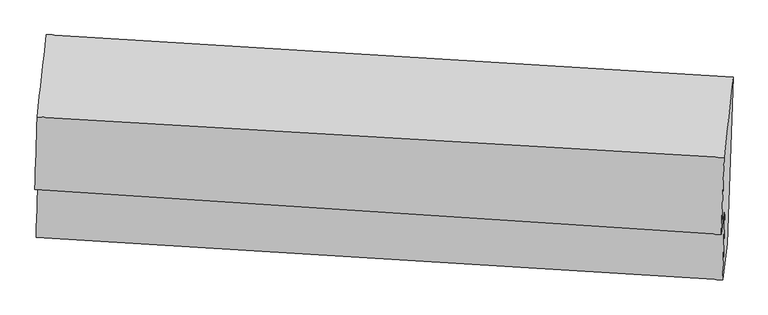
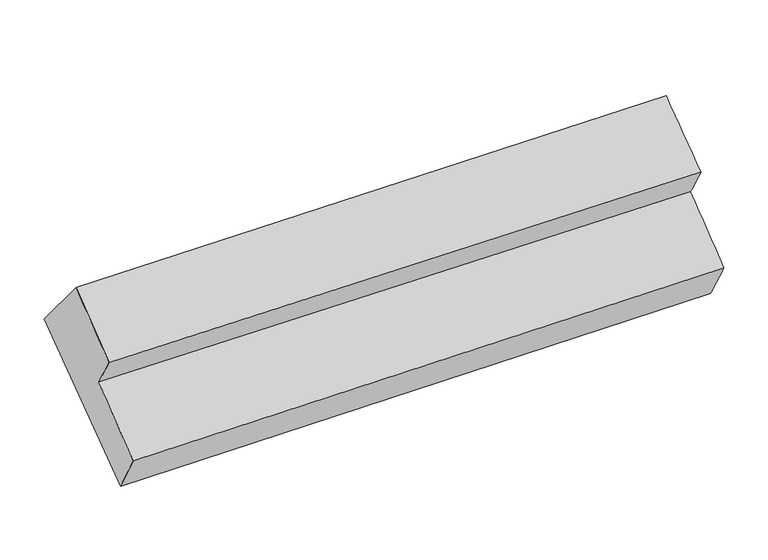
"""IFC4 building model written with IfcOpenShell, lengths in millimetres: proxy geometry."""

from ifc_helpers import new_model, si_unit, frame, origin, place, context, project, spatial, source, transform, mapped, element, save
from ifc_brep_helpers import plane_surface, spline_surface, advanced_brep


def generic_models_539f9317(model_context):
    return source(origin(), model_context, "Body", "AdvancedBrep", [
        advanced_brep(
        [(-5318.8220883, -452.8891538, 1855.7912911), (-5385.7655654, -1053.606348, 2533.5352132), (-360.4990595, -1351.4829718, 2740.9878042), (-294.203281, -762.0245441, 2063.9459682), (-5360.2516998, -1686.1312812, 1056.2419803), (-336.1316656, -1982.773136, 1272.4195988), (-5393.551827, -1937.8090013, 1460.0810763), (-370.7762972, -2249.5094314, 1685.6345757), (-5376.3765429, -1383.5491833, 1852.3921016), (-353.4459416, -1710.3768662, 2062.5069773), (-5402.614163, -1585.2626527, 2165.7527031), (-379.7930309, -1913.2286405, 2376.7551418)],
        [
            (0, 1),
            (1, 2),
            (2, 3),
            (3, 0),
            (4, 0),
            (3, 5),
            (5, 4),
            (6, 4),
            (5, 7),
            (7, 6),
            (8, 6),
            (7, 9),
            (9, 8),
            (10, 8),
            (9, 11),
            (11, 10),
            (1, 10),
            (11, 2),
        ],
        [
            spline_surface(1, 1, [[(-5318.8220883, -452.8891538, 1855.7912911), (-294.203281, -762.0245441, 2063.9459682)], [(-5385.7655654, -1053.606348, 2533.5352132), (-360.4990595, -1351.4829718, 2740.9878042)]], [2, 2], [2, 2], [0.0, 1.0], [0.0, 1.0]),
            spline_surface(1, 1, [[(-5360.2516998, -1686.1312812, 1056.2419803), (-336.1316656, -1982.773136, 1272.4195988)], [(-5318.8220883, -452.8891538, 1855.7912911), (-294.203281, -762.0245441, 2063.9459682)]], [2, 2], [2, 2], [0.0, 1.0], [0.0, 1.0]),
            spline_surface(1, 1, [[(-5393.551827, -1937.8090013, 1460.0810763), (-370.7762972, -2249.5094314, 1685.6345757)], [(-5360.2516998, -1686.1312812, 1056.2419803), (-336.1316656, -1982.773136, 1272.4195988)]], [2, 2], [2, 2], [0.0, 1.0], [0.0, 1.0]),
            spline_surface(1, 1, [[(-5376.3765429, -1383.5491833, 1852.3921016), (-353.4459416, -1710.3768662, 2062.5069773)], [(-5393.551827, -1937.8090013, 1460.0810763), (-370.7762972, -2249.5094314, 1685.6345757)]], [2, 2], [2, 2], [0.0, 1.0], [0.0, 1.0]),
            spline_surface(1, 1, [[(-5402.614163, -1585.2626527, 2165.7527031), (-379.7930309, -1913.2286405, 2376.7551418)], [(-5376.3765429, -1383.5491833, 1852.3921016), (-353.4459416, -1710.3768662, 2062.5069773)]], [2, 2], [2, 2], [0.0, 1.0], [0.0, 1.0]),
            spline_surface(1, 1, [[(-5385.7655654, -1053.606348, 2533.5352132), (-360.4990595, -1351.4829718, 2740.9878042)], [(-5402.614163, -1585.2626527, 2165.7527031), (-379.7930309, -1913.2286405, 2376.7551418)]], [2, 2], [2, 2], [0.0, 1.0], [0.0, 1.0]),
            plane_surface(frame((-349.141546, -1661.5659317, 2033.7083443), z_axis=(0.9971122315929779, -0.0623544211687366, 0.043348861212073084), x_axis=(-0.026336920696030653, -0.8193191124803973, -0.5727325366456711))),
            plane_surface(frame((-5372.8969811, -1349.8746034, 1820.6323943), z_axis=(-0.9971302253471184, 0.06182472960251614, -0.04369229347128269), x_axis=(0.07371666738040607, 0.6614964069720037, -0.7463165256869607))),
        ],
        [
            (0, [[1, 2, 3, 4]]),
            (1, [[5, -4, 6, 7]]),
            (2, [[8, -7, 9, 10]]),
            (3, [[11, -10, 12, 13]]),
            (4, [[14, -13, 15, 16]]),
            (5, [[17, -16, 18, -2]]),
            (6, [[-12, -9, -6, -3, -18, -15]]),
            (7, [[-1, -5, -8, -11, -14, -17]]),
        ],
    ),
    ])


if __name__ == "__main__":
    model = new_model("IFC4")
    model_context = context("Model", 3, world=origin())
    ifc_project = project(units=[si_unit("LENGTHUNIT", "METRE", prefix="MILLI")], contexts=[model_context])
    site = spatial("IfcSite", under=ifc_project)
    building = spatial("IfcBuilding", under=site)
    placement = place(None, origin())
    generic_models_shape = generic_models_539f9317(model_context)
    element("IfcBuildingElementProxy", 1, Name="Generic Models", at=placement, inside=building, context=model_context, shape_type="MappedRepresentation", body=[
        mapped(generic_models_shape, transform((0.0, 0.0, 0.0), x_axis=(1.0, 0.0, 0.0), y_axis=(0.0, 1.0, 0.0), z_axis=(0.0, 0.0, 1.0))),
    ])
    save(model, "model.ifc")
